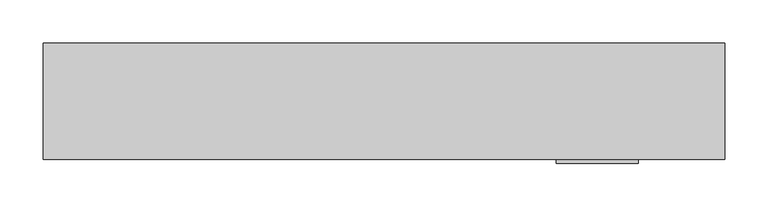
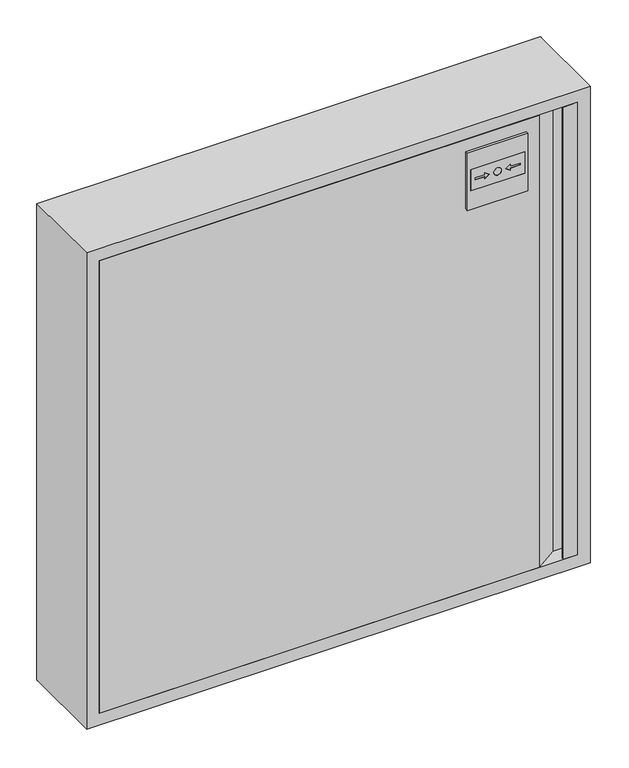
"""IFC4 building model written with IfcOpenShell, lengths in millimetres: fire suppression terminal geometry."""

from ifc_helpers import new_model, si_unit, point, frame, frame_2d, origin, place, context, project, spatial, polyline, circle_curve, trimmed, segment, composite_curve, outline, extrude, faceted_brep, source, transform, mapped, element, save


def fire_suppression_terminal_051f1bec(model_context):
    return source(origin(), model_context, "Body", "SolidModel", [
        extrude(outline(composite_curve([segment(trimmed(circle_curve(frame_2d((-355.1374166, -354.9676042)), 3.007614), [point((-352.1298027, -354.9676042))], [point((-358.1450306, -354.9676042))], False, "CARTESIAN"), True, "CONTINUOUS"), segment(trimmed(circle_curve(frame_2d((-355.1374166, -354.9676042)), 3.007614), [point((-358.1450306, -354.9676042))], [point((-352.1298027, -354.9676042))], False, "CARTESIAN"), True, "CONTINUOUS")], self_intersect=False)), frame((0.0, -20.0, 0.0), z_axis=(0.0, 1.0, 0.0), x_axis=(0.0, 0.0, 1.0)), (0.0, 0.0, 1.0), 15.0),
        extrude(outline(polyline([(353.0, -135.0), (353.0, -132.0), (354.5, -132.0), (354.5, -133.5), (373.5, -133.5), (373.5, -111.5), (350.0, -111.5), (315.0, -135.0), (-375.0, -135.0), (-375.0, -110.0), (-373.5, -110.0), (-373.5, -133.5), (314.5431419, -133.5), (349.5431419, -110.0), (375.0, -110.0), (375.0, -135.0), (353.0, -135.0)])), frame((0.0, 0.0, -375.0), z_axis=(0.0, 0.0, 1.0), x_axis=(1.0, 0.0, 0.0)), (0.0, 0.0, 1.0), 750.0),
        extrude(outline(polyline([(325.9479225, 204.5431419), (290.9479225, 204.5431419), (290.9479225, 289.5431419), (325.9479225, 289.5431419), (325.9479225, 204.5431419)]), holes=[composite_curve([segment(trimmed(circle_curve(frame_2d((308.4479225, 247.0431419)), 6.0), [point((308.4479225, 253.0431419))], [point((308.4479225, 241.0431419))], True, "CARTESIAN"), True, "CONTINUOUS"), segment(trimmed(circle_curve(frame_2d((308.4479225, 247.0431419)), 6.0), [point((308.4479225, 241.0431419))], [point((308.4479225, 253.0431419))], True, "CARTESIAN"), True, "CONTINUOUS")], self_intersect=False), polyline([(313.3991375, 226.9720741), (308.4479225, 234.0431419), (303.4967076, 226.9720741), (306.9479225, 226.9720741), (306.9479225, 211.9720741), (309.9479225, 211.9720741), (309.9479225, 226.9720741), (313.3991375, 226.9720741)]), polyline([(313.3991375, 267.1142097), (309.9479225, 267.1142097), (309.9479225, 282.1142097), (306.9479225, 282.1142097), (306.9479225, 267.1142097), (303.4967076, 267.1142097), (308.4479225, 260.0431419), (313.3991375, 267.1142097)])]), frame((0.0, -140.0, 0.0), z_axis=(0.0, 1.0, 0.0), x_axis=(0.0, 0.0, 1.0)), (0.0, 0.0, 1.0), 5.0),
        extrude(outline(composite_curve([segment(trimmed(circle_curve(frame_2d((308.4479225, 247.0431419)), 6.0), [point((308.4479225, 253.0431419))], [point((308.4479225, 241.0431419))], False, "CARTESIAN"), True, "CONTINUOUS"), segment(trimmed(circle_curve(frame_2d((308.4479225, 247.0431419)), 6.0), [point((308.4479225, 241.0431419))], [point((308.4479225, 253.0431419))], False, "CARTESIAN"), True, "CONTINUOUS")], self_intersect=False)), frame((0.0, -140.0, 0.0), z_axis=(0.0, 1.0, 0.0), x_axis=(0.0, 0.0, 1.0)), (0.0, 0.0, 1.0), 5.0),
        extrude(outline(polyline([(313.3991375, 226.9720741), (309.9479225, 226.9720741), (309.9479225, 211.9720741), (306.9479225, 211.9720741), (306.9479225, 226.9720741), (303.4967076, 226.9720741), (308.4479225, 234.0431419), (313.3991375, 226.9720741)])), frame((0.0, -140.0, 0.0), z_axis=(0.0, 1.0, 0.0), x_axis=(0.0, 0.0, 1.0)), (0.0, 0.0, 1.0), 5.0),
        extrude(outline(polyline([(313.3991375, 267.1142097), (308.4479225, 260.0431419), (303.4967076, 267.1142097), (306.9479225, 267.1142097), (306.9479225, 282.1142097), (309.9479225, 282.1142097), (309.9479225, 267.1142097), (313.3991375, 267.1142097)])), frame((0.0, -140.0, 0.0), z_axis=(0.0, 1.0, 0.0), x_axis=(0.0, 0.0, 1.0)), (0.0, 0.0, 1.0), 5.0),
        extrude(outline(polyline([(355.0, 199.5431419), (260.0, 199.5431419), (260.0, 294.5431419), (355.0, 294.5431419), (355.0, 199.5431419)]), holes=[polyline([(325.9479225, 204.5431419), (325.9479225, 289.5431419), (290.9479225, 289.5431419), (290.9479225, 204.5431419), (325.9479225, 204.5431419)])]), frame((0.0, -140.0, 0.0), z_axis=(0.0, 1.0, 0.0), x_axis=(0.0, 0.0, 1.0)), (0.0, 0.0, 1.0), 5.0),
        faceted_brep([(-375.0, -110.0, 375.0), (-375.0, -135.0, 375.0), (-375.0, -135.0, -375.0), (-375.0, -110.0, -375.0), (-376.5, -133.5, 376.5), (-376.5, -110.0, 376.5), (-376.5, -110.0, -376.5), (-376.5, -133.5, -376.5), (-393.5, -1.5, 393.5), (-393.5, -133.5, 393.5), (-393.5, -133.5, -393.5), (-393.5, -1.5, -393.5), (-375.0, 0.0, 375.0), (-375.0, -1.5, 375.0), (-375.0, -1.5, -375.0), (-375.0, 0.0, -375.0), (-395.0, -135.0, 395.0), (-395.0, 0.0, 395.0), (-395.0, 0.0, -395.0), (-395.0, -135.0, -395.0), (375.0, -135.0, -375.0), (375.0, -110.0, -375.0), (376.5, -110.0, -376.5), (376.5, -133.5, -376.5), (393.5, -133.5, -393.5), (393.5, -1.5, -393.5), (375.0, -1.5, -375.0), (375.0, 0.0, -375.0), (395.0, 0.0, -395.0), (395.0, -135.0, -395.0), (375.0, -135.0, 375.0), (375.0, -110.0, 375.0), (376.5, -110.0, 376.5), (376.5, -133.5, 376.5), (393.5, -133.5, 393.5), (393.5, -1.5, 393.5), (375.0, -1.5, 375.0), (375.0, 0.0, 375.0), (395.0, 0.0, 395.0), (395.0, -135.0, 395.0)], [[[0, 1, 2, 3]], [[4, 5, 6, 7]], [[8, 9, 10, 11]], [[12, 13, 14, 15]], [[16, 17, 18, 19]], [[3, 2, 20, 21]], [[7, 6, 22, 23]], [[11, 10, 24, 25]], [[15, 14, 26, 27]], [[19, 18, 28, 29]], [[21, 20, 30, 31]], [[23, 22, 32, 33]], [[25, 24, 34, 35]], [[27, 26, 36, 37]], [[29, 28, 38, 39]], [[1, 0, 31, 30]], [[6, 5, 32, 22], [0, 3, 21, 31]], [[5, 4, 33, 32]], [[10, 9, 34, 24], [4, 7, 23, 33]], [[9, 8, 35, 34]], [[8, 11, 25, 35], [14, 13, 36, 26]], [[13, 12, 37, 36]], [[18, 17, 38, 28], [12, 15, 27, 37]], [[17, 16, 39, 38]], [[16, 19, 29, 39], [2, 1, 30, 20]]]),
        extrude(outline(polyline([(395.0, 395.0), (395.0, -395.0), (-395.0, -395.0), (-395.0, 395.0), (395.0, 395.0)]), holes=[composite_curve([segment(trimmed(circle_curve(frame_2d((-355.1374166, -354.9676042)), 18.5), [point((-355.1374166, -373.4676042))], [point((-355.1374166, -336.4676042))], True, "CARTESIAN"), True, "CONTINUOUS"), segment(trimmed(circle_curve(frame_2d((-355.1374166, -354.9676042)), 18.5), [point((-355.1374166, -336.4676042))], [point((-355.1374166, -373.4676042))], True, "CARTESIAN"), True, "CONTINUOUS")], self_intersect=False)]), frame((0.0, -1.5, 0.0), z_axis=(0.0, 1.0, 0.0), x_axis=(0.0, 0.0, 1.0)), (0.0, 0.0, 1.0), 1.5),
    ])


if __name__ == "__main__":
    model = new_model("IFC4")
    model_context = context("Model", 3, world=origin())
    ifc_project = project(units=[si_unit("LENGTHUNIT", "METRE", prefix="MILLI")], contexts=[model_context])
    site = spatial("IfcSite", under=ifc_project)
    building = spatial("IfcBuilding", under=site)
    placement = place(None, origin())
    fire_suppression_terminal_shape = fire_suppression_terminal_051f1bec(model_context)
    element("IfcFireSuppressionTerminal", 1, at=placement, inside=building, context=model_context, shape_type="MappedRepresentation", body=[
        mapped(fire_suppression_terminal_shape, transform((0.0, 0.0, 0.0), x_axis=(1.0, 0.0, 0.0), y_axis=(0.0, 1.0, 0.0), z_axis=(0.0, 0.0, 1.0))),
    ])
    save(model, "model.ifc")
